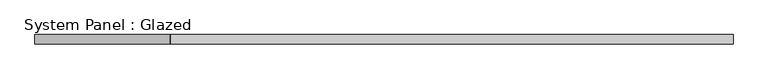
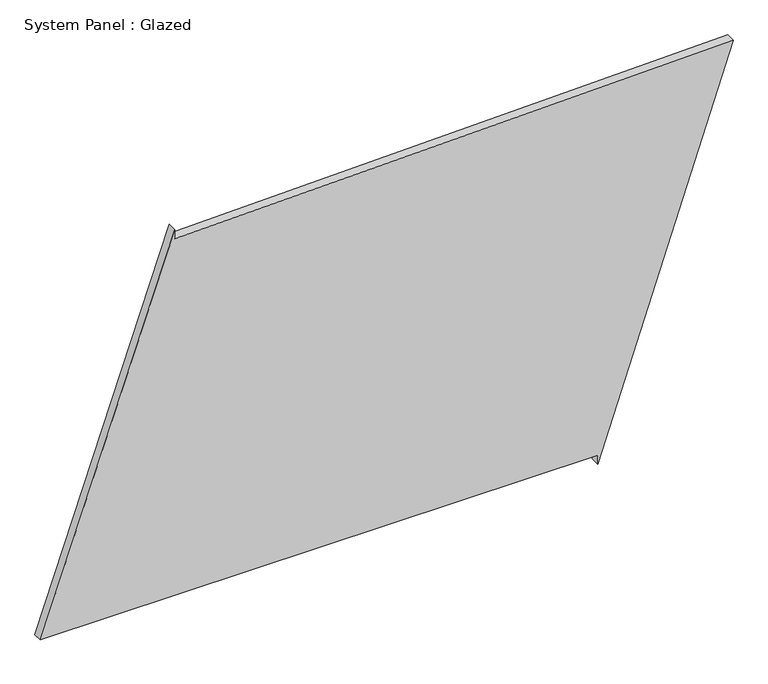
"""IFC4 building model written with IfcOpenShell, lengths in millimetres: plate geometry, System Panel : Glazed."""

from ifc_helpers import new_model, si_unit, frame, origin, place, context, project, spatial, polyline, outline, extrude, source, transform, mapped, element, save


def system_panel_glazed_f8711d46(model_context):
    return source(origin(), model_context, "Body", "SweptSolid", [
        extrude(outline(polyline([(25.0, 561.0091325), (0.0, 561.0091325), (1065.2488107, 920.5095201), (1027.5844408, -562.7434481), (1052.5763845, -563.3780707), (25.0, -920.5095201), (25.0, 561.0091325)])), frame((0.0, -49.5, 0.0), z_axis=(0.0, 1.0, 0.0), x_axis=(0.0, 0.0, 1.0)), (0.0, 0.0, 1.0), 25.0),
    ])


if __name__ == "__main__":
    model = new_model("IFC4")
    model_context = context("Model", 3, world=origin())
    ifc_project = project(units=[si_unit("LENGTHUNIT", "METRE", prefix="MILLI")], contexts=[model_context])
    site = spatial("IfcSite", under=ifc_project)
    building = spatial("IfcBuilding", under=site)
    placement = place(None, origin())
    system_panel_glazed_shape = system_panel_glazed_f8711d46(model_context)
    element("IfcPlate", 1, ObjectType="System Panel : Glazed", at=placement, inside=building, context=model_context, shape_type="MappedRepresentation", body=[
        mapped(system_panel_glazed_shape, transform((0.0, 0.0, 0.0), x_axis=(1.0, 0.0, 0.0), y_axis=(0.0, 1.0, 0.0), z_axis=(0.0, 0.0, 1.0))),
    ])
    save(model, "model.ifc")
